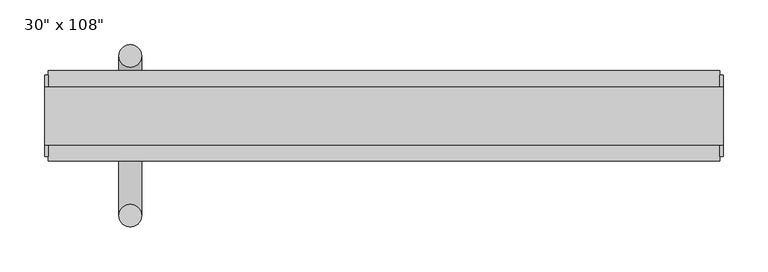
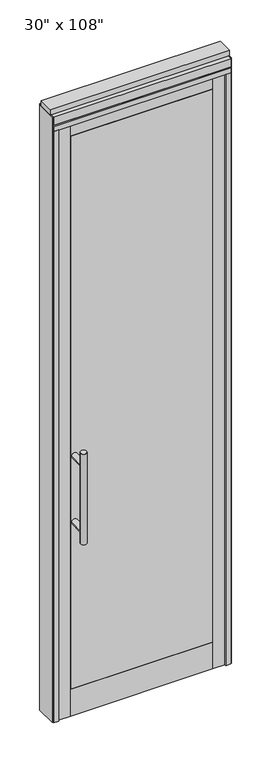
"""IFC4 building model written with IfcOpenShell, lengths in millimetres: furniture geometry."""

from ifc_helpers import new_model, si_unit, frame, origin, origin_with_axes, place, context, project, spatial, polyline, circle_curve, ellipse_curve, outline, extrude, source, transform, mapped, element, save
from ifc_brep_helpers import plane_surface, cylinder_surface, advanced_brep


def furniture_1fad9131(model_context):
    return source(origin(), model_context, "Body", "SolidModel", [
        extrude(outline(polyline([(241.4614771, -48.9677216), (-361.5345229, -48.9677216), (-361.5345229, -38.8077216), (241.4614771, -38.8077216), (241.4614771, -48.9677216)])), frame((0.0, 0.0, 120.65), z_axis=(0.0, 0.0, 1.0), x_axis=(1.0, 0.0, 0.0)), (0.0, 0.0, 1.0), 2482.85),
        extrude(outline(polyline([(241.4614771, -14.6777216), (-361.5345229, -14.6777216), (-361.5345229, -4.5177216), (241.4614771, -4.5177216), (241.4614771, -14.6777216)])), frame((0.0, 0.0, 120.65), z_axis=(0.0, 0.0, 1.0), x_axis=(1.0, 0.0, 0.0)), (0.0, 0.0, 1.0), 2482.85),
        advanced_brep(
        [(-357.5975229, 63.0462784, 1219.2), (-332.1975229, 63.0462784, 1219.2), (-357.5975229, 63.0462784, 812.8), (-332.1975229, 63.0462784, 812.8), (-332.1975229, 63.0462784, 1164.336), (-332.1975229, 63.0462784, 867.664), (-357.5975229, 63.0462784, 867.664), (-357.5975229, 63.0462784, 1164.336), (-357.5975229, -4.5177216, 1164.336), (-332.1975229, -4.5177216, 1164.336), (-357.5975229, -4.5177216, 867.664), (-332.1975229, -4.5177216, 867.664)],
        [
            (0, 1, circle_curve(frame((-344.8975229, 63.0462784, 1219.2), z_axis=(0.0, 0.0, 1.0), x_axis=(1.0, 0.0, 0.0)), 12.7)),
            (1, 0, circle_curve(frame((-344.8975229, 63.0462784, 1219.2), z_axis=(0.0, 0.0, 1.0), x_axis=(1.0, 0.0, 0.0)), 12.7)),
            (2, 3, circle_curve(frame((-344.8975229, 63.0462784, 812.8), z_axis=(0.0, 0.0, -1.0), x_axis=(1.0, 0.0, 0.0)), 12.7)),
            (3, 2, circle_curve(frame((-344.8975229, 63.0462784, 812.8), z_axis=(0.0, 0.0, -1.0), x_axis=(1.0, 0.0, 0.0)), 12.7)),
            (1, 4),
            (4, 5),
            (5, 3),
            (2, 6),
            (6, 7),
            (7, 0),
            (6, 5, ellipse_curve(frame((-344.8975229, 63.0462784, 867.664), z_axis=(0.0, 0.707106781186565, 0.70710678118653), x_axis=(0.0, -0.70710678118653, 0.707106781186565)), 17.9605122, 12.7)),
            (4, 7, ellipse_curve(frame((-344.8975229, 63.0462784, 1164.336), z_axis=(0.0, 0.70710678118653, -0.7071067811865649), x_axis=(0.0, 0.7071067811865648, 0.7071067811865301)), 17.9605122, 12.7)),
            (7, 4, ellipse_curve(frame((-344.8975229, 63.0462784, 1164.336), z_axis=(0.0, 0.707106781186565, 0.70710678118653), x_axis=(0.0, -0.70710678118653, 0.707106781186565)), 17.9605122, 12.7)),
            (5, 6, ellipse_curve(frame((-344.8975229, 63.0462784, 867.664), z_axis=(0.0, 0.70710678118653, -0.7071067811865649), x_axis=(0.0, 0.7071067811865648, 0.7071067811865301)), 17.9605122, 12.7)),
            (8, 9, circle_curve(frame((-344.8975229, -4.5177216, 1164.336), z_axis=(0.0, -1.0, 0.0), x_axis=(1.0, 0.0, 0.0)), 12.7)),
            (9, 8, circle_curve(frame((-344.8975229, -4.5177216, 1164.336), z_axis=(0.0, -1.0, 0.0), x_axis=(1.0, 0.0, 0.0)), 12.7)),
            (8, 7),
            (4, 9),
            (10, 11, circle_curve(frame((-344.8975229, -4.5177216, 867.664), z_axis=(0.0, -1.0, 0.0), x_axis=(1.0, 0.0, 0.0)), 12.7)),
            (11, 10, circle_curve(frame((-344.8975229, -4.5177216, 867.664), z_axis=(0.0, -1.0, 0.0), x_axis=(1.0, 0.0, 0.0)), 12.7)),
            (10, 6),
            (5, 11),
        ],
        [
            plane_surface(frame((-332.1975229, 63.0462784, 1219.2), z_axis=(0.0, 0.0, 1.0), x_axis=(0.0, -1.0, 0.0))),
            plane_surface(frame((-332.1975229, 63.0462784, 812.8), z_axis=(0.0, 0.0, -1.0), x_axis=(0.0, 1.0, 0.0))),
            cylinder_surface(frame((-344.8975229, 63.0462784, 812.8), z_axis=(0.0, 0.0, 1.0), x_axis=(1.0, 0.0, 0.0)), 12.7),
            plane_surface(frame((-332.1975229, -4.5177216, 1164.336), z_axis=(0.0, -1.0, 0.0), x_axis=(0.0, 0.0, -1.0))),
            cylinder_surface(frame((-344.8975229, -4.5177216, 1164.336), z_axis=(0.0, 1.0, 0.0), x_axis=(1.0, 0.0, 0.0)), 12.7),
            plane_surface(frame((-332.1975229, -4.5177216, 867.664), z_axis=(0.0, -1.0, 0.0), x_axis=(0.0, 0.0, -1.0))),
            cylinder_surface(frame((-344.8975229, -4.5177216, 867.664), z_axis=(0.0, 1.0, 0.0), x_axis=(1.0, 0.0, 0.0)), 12.7),
        ],
        [
            (0, [[1, 2]]),
            (1, [[3, 4]]),
            (2, [[5, 6, 7, -3, 8, 9, 10, -2]]),
            (2, [[-9, 11, -6, 12]]),
            (2, [[-10, 13, -5, -1]]),
            (2, [[-7, 14, -8, -4]]),
            (3, [[15, 16]]),
            (4, [[17, -12, 18, -15]]),
            (4, [[-18, -13, -17, -16]]),
            (5, [[19, 20]]),
            (6, [[21, -14, 22, -19]]),
            (6, [[-22, -11, -21, -20]]),
        ],
    ),
        advanced_brep(
        [(-357.5975229, -116.5317216, 1219.2), (-332.1975229, -116.5317216, 1219.2), (-357.5975229, -116.5317216, 812.8), (-332.1975229, -116.5317216, 812.8), (-357.5975229, -116.5317216, 1164.336), (-357.5975229, -116.5317216, 867.664), (-332.1975229, -116.5317216, 867.664), (-332.1975229, -116.5317216, 1164.336), (-357.5975229, -48.9677216, 1164.336), (-332.1975229, -48.9677216, 1164.336), (-357.5975229, -48.9677216, 867.664), (-332.1975229, -48.9677216, 867.664)],
        [
            (0, 1, circle_curve(frame((-344.8975229, -116.5317216, 1219.2), z_axis=(0.0, 0.0, 1.0), x_axis=(1.0, 0.0, 0.0)), 12.7)),
            (1, 0, circle_curve(frame((-344.8975229, -116.5317216, 1219.2), z_axis=(0.0, 0.0, 1.0), x_axis=(1.0, 0.0, 0.0)), 12.7)),
            (2, 3, circle_curve(frame((-344.8975229, -116.5317216, 812.8), z_axis=(0.0, 0.0, -1.0), x_axis=(1.0, 0.0, 0.0)), 12.7)),
            (3, 2, circle_curve(frame((-344.8975229, -116.5317216, 812.8), z_axis=(0.0, 0.0, -1.0), x_axis=(1.0, 0.0, 0.0)), 12.7)),
            (0, 4),
            (4, 5),
            (5, 2),
            (3, 6),
            (6, 7),
            (7, 1),
            (7, 4, ellipse_curve(frame((-344.8975229, -116.5317216, 1164.336), z_axis=(0.0, -0.707106781186565, 0.70710678118653), x_axis=(0.0, 0.70710678118653, 0.707106781186565)), 17.9605122, 12.7)),
            (5, 6, ellipse_curve(frame((-344.8975229, -116.5317216, 867.664), z_axis=(0.0, -0.70710678118653, -0.7071067811865649), x_axis=(0.0, -0.7071067811865648, 0.7071067811865301)), 17.9605122, 12.7)),
            (4, 7, ellipse_curve(frame((-344.8975229, -116.5317216, 1164.336), z_axis=(0.0, -0.70710678118653, -0.7071067811865649), x_axis=(0.0, -0.7071067811865648, 0.7071067811865301)), 17.9605122, 12.7)),
            (6, 5, ellipse_curve(frame((-344.8975229, -116.5317216, 867.664), z_axis=(0.0, -0.707106781186565, 0.70710678118653), x_axis=(0.0, 0.70710678118653, 0.707106781186565)), 17.9605122, 12.7)),
            (8, 9, circle_curve(frame((-344.8975229, -48.9677216, 1164.336), z_axis=(0.0, 1.0, 0.0), x_axis=(1.0, 0.0, 0.0)), 12.7)),
            (9, 8, circle_curve(frame((-344.8975229, -48.9677216, 1164.336), z_axis=(0.0, 1.0, 0.0), x_axis=(1.0, 0.0, 0.0)), 12.7)),
            (9, 7),
            (4, 8),
            (10, 11, circle_curve(frame((-344.8975229, -48.9677216, 867.664), z_axis=(0.0, 1.0, 0.0), x_axis=(1.0, 0.0, 0.0)), 12.7)),
            (11, 10, circle_curve(frame((-344.8975229, -48.9677216, 867.664), z_axis=(0.0, 1.0, 0.0), x_axis=(1.0, 0.0, 0.0)), 12.7)),
            (11, 6),
            (5, 10),
        ],
        [
            plane_surface(frame((-332.1975229, -116.5317216, 1219.2), z_axis=(0.0, 0.0, 1.0), x_axis=(0.0, 1.0, 0.0))),
            plane_surface(frame((-332.1975229, -116.5317216, 812.8), z_axis=(0.0, 0.0, -1.0), x_axis=(0.0, -1.0, 0.0))),
            cylinder_surface(frame((-344.8975229, -116.5317216, 812.8), z_axis=(0.0, 0.0, 1.0), x_axis=(1.0, 0.0, 0.0)), 12.7),
            plane_surface(frame((-332.1975229, -48.9677216, 1164.336), z_axis=(0.0, 1.0, 0.0), x_axis=(0.0, 0.0, -1.0))),
            cylinder_surface(frame((-344.8975229, -48.9677216, 1164.336), z_axis=(0.0, -1.0, 0.0), x_axis=(1.0, 0.0, 0.0)), 12.7),
            plane_surface(frame((-332.1975229, -48.9677216, 867.664), z_axis=(0.0, 1.0, 0.0), x_axis=(0.0, 0.0, -1.0))),
            cylinder_surface(frame((-344.8975229, -48.9677216, 867.664), z_axis=(0.0, -1.0, 0.0), x_axis=(1.0, 0.0, 0.0)), 12.7),
        ],
        [
            (0, [[1, 2]]),
            (1, [[3, 4]]),
            (2, [[-1, 5, 6, 7, -4, 8, 9, 10]]),
            (2, [[-2, -10, 11, -5]]),
            (2, [[-3, -7, 12, -8]]),
            (2, [[13, -9, 14, -6]]),
            (3, [[15, 16]]),
            (4, [[-16, 17, -13, 18]]),
            (4, [[-15, -18, -11, -17]]),
            (5, [[19, 20]]),
            (6, [[-20, 21, -12, 22]]),
            (6, [[-19, -22, -14, -21]]),
        ],
    ),
        extrude(outline(polyline([(241.9694771, -48.9677216), (-361.0265229, -48.9677216), (-361.0265229, -4.5177216), (241.9694771, -4.5177216), (241.9694771, -48.9677216)])), frame((0.0, 0.0, 2603.5), z_axis=(0.0, 0.0, 1.0), x_axis=(1.0, 0.0, 0.0)), (0.0, 0.0, 1.0), 50.8),
        extrude(outline(polyline([(241.9694771, -48.9677216), (-361.0265229, -48.9677216), (-361.0265229, -4.5177216), (241.9694771, -4.5177216), (241.9694771, -48.9677216)])), origin_with_axes(), (0.0, 0.0, 1.0), 120.65),
        extrude(outline(polyline([(-361.0265229, -48.9677216), (-414.8745229, -48.9677216), (-414.8745229, -4.5177216), (-361.0265229, -4.5177216), (-361.0265229, -48.9677216)])), origin_with_axes(), (0.0, 0.0, 1.0), 2654.3),
        extrude(outline(polyline([(294.8014771, -48.9677216), (241.9694771, -48.9677216), (241.9694771, -4.5177216), (294.8014771, -4.5177216), (294.8014771, -48.9677216)])), origin_with_axes(), (0.0, 0.0, 1.0), 2654.3),
        extrude(outline(polyline([(-437.0995229, 46.2822784), (-414.8745229, 46.2822784), (-414.8745229, 20.8822784), (-402.1745229, 20.8822784), (-402.1745229, -4.5177216), (-414.8745229, -4.5177216), (-414.8745229, -55.3177216), (-437.0995229, -55.3177216), (-437.0995229, 46.2822784)])), origin_with_axes(), (0.0, 0.0, 1.0), 2654.3),
        extrude(outline(polyline([(-437.0995229, -55.3177216), (-437.0995229, 46.2822784), (317.0264771, 46.2822784), (317.0264771, -55.3177216), (-437.0995229, -55.3177216)])), frame((0.0, 0.0, 2654.3), z_axis=(0.0, 0.0, 1.0), x_axis=(1.0, 0.0, 0.0)), (0.0, 0.0, 1.0), 22.225),
        extrude(outline(polyline([(320.9634771, -50.3647216), (317.0264771, -50.3647216), (317.0264771, 41.3292784), (320.9634771, 41.3292784), (320.9634771, -50.3647216)])), origin_with_axes(), (0.0, 0.0, 1.0), 2717.8),
        extrude(outline(polyline([(-441.0365229, -50.3647216), (-441.0365229, 41.3292784), (-437.0995229, 41.3292784), (-437.0995229, -50.3647216), (-441.0365229, -50.3647216)])), origin_with_axes(), (0.0, 0.0, 1.0), 2717.8),
        extrude(outline(polyline([(317.0264771, 46.2822784), (317.0264771, -55.3177216), (294.8014771, -55.3177216), (294.8014771, -4.5177216), (282.1014771, -4.5177216), (282.1014771, 20.8822784), (294.8014771, 20.8822784), (294.8014771, 46.2822784), (317.0264771, 46.2822784)])), origin_with_axes(), (0.0, 0.0, 1.0), 2654.3),
        extrude(outline(polyline([(-55.3177216, 2681.478), (-55.3177216, 2717.8), (46.2822784, 2717.8), (46.2822784, 2681.478), (41.3292784, 2681.478), (41.3292784, 2676.525), (-50.3647216, 2676.525), (-50.3647216, 2681.478), (-55.3177216, 2681.478)])), frame((-437.0995229, 0.0, 0.0), z_axis=(1.0, 0.0, 0.0), x_axis=(0.0, 1.0, 0.0)), (0.0, 0.0, 1.0), 754.126),
        extrude(outline(polyline([(-441.0365229, -37.0297216), (-441.0365229, 27.9942784), (320.9634771, 27.9942784), (320.9634771, -37.0297216), (-441.0365229, -37.0297216)])), frame((0.0, 0.0, 2717.8), z_axis=(0.0, 0.0, 1.0), x_axis=(1.0, 0.0, 0.0)), (0.0, 0.0, 1.0), 25.4),
    ])


if __name__ == "__main__":
    model = new_model("IFC4")
    model_context = context("Model", 3, world=origin())
    ifc_project = project(units=[si_unit("LENGTHUNIT", "METRE", prefix="MILLI")], contexts=[model_context])
    site = spatial("IfcSite", under=ifc_project)
    building = spatial("IfcBuilding", under=site)
    placement = place(None, origin())
    furniture_shape = furniture_1fad9131(model_context)
    element("IfcFurniture", 1, ObjectType="30\" x 108\"", at=placement, inside=building, context=model_context, shape_type="MappedRepresentation", body=[
        mapped(furniture_shape, transform((0.0, 0.0, 0.0), x_axis=(1.0, 0.0, 0.0), y_axis=(0.0, 1.0, 0.0), z_axis=(0.0, 0.0, 1.0))),
    ])
    save(model, "model.ifc")
